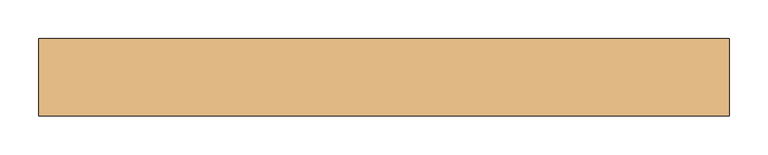
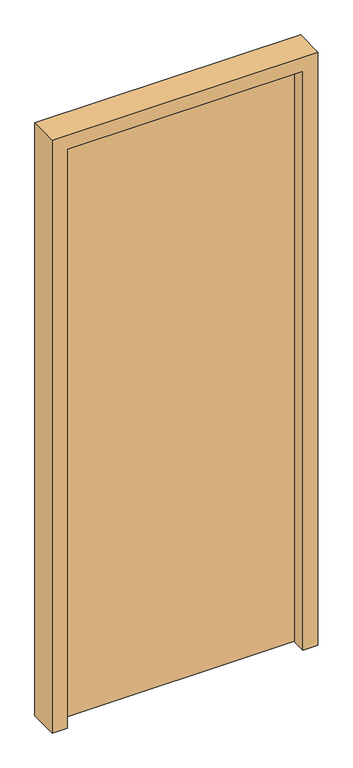
"""IFC4 building model written with IfcOpenShell, lengths in millimetres: door geometry."""

from ifc_helpers import new_model, si_unit, frame, origin, origin_with_axes, place, context, project, spatial, polyline, outline, extrude, source, transform, mapped, element, save


def door_6cd90bed(model_context):
    return source(origin(), model_context, "Body", "SweptSolid", [
        extrude(outline(polyline([(-395.0, 60.0), (395.0, 60.0), (395.0, 10.0), (-395.0, 10.0), (-395.0, 60.0)])), origin_with_axes(), (0.0, 0.0, 1.0), 2050.0),
        extrude(outline(polyline([(0.0, -445.0), (0.0, -395.0), (2050.0, -395.0), (2050.0, 395.0), (0.0, 395.0), (0.0, 445.0), (2100.0, 445.0), (2100.0, -445.0), (0.0, -445.0)])), frame((0.0, -40.0, 0.0), z_axis=(0.0, 1.0, 0.0), x_axis=(0.0, 0.0, 1.0)), (0.0, 0.0, 1.0), 100.0),
    ])


if __name__ == "__main__":
    model = new_model("IFC4")
    model_context = context("Model", 3, world=origin())
    ifc_project = project(units=[si_unit("LENGTHUNIT", "METRE", prefix="MILLI")], contexts=[model_context])
    site = spatial("IfcSite", under=ifc_project)
    building = spatial("IfcBuilding", under=site)
    placement = place(None, origin())
    door_shape = door_6cd90bed(model_context)
    element("IfcDoor", 1, at=placement, inside=building, context=model_context, shape_type="MappedRepresentation", body=[
        mapped(door_shape, transform((0.0, 0.0, 0.0), x_axis=(1.0, 0.0, 0.0), y_axis=(0.0, 1.0, 0.0), z_axis=(0.0, 0.0, 1.0))),
    ])
    save(model, "model.ifc")
